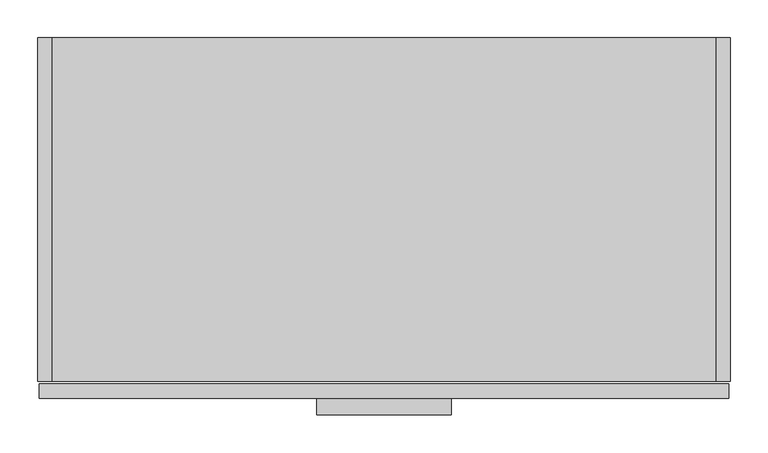
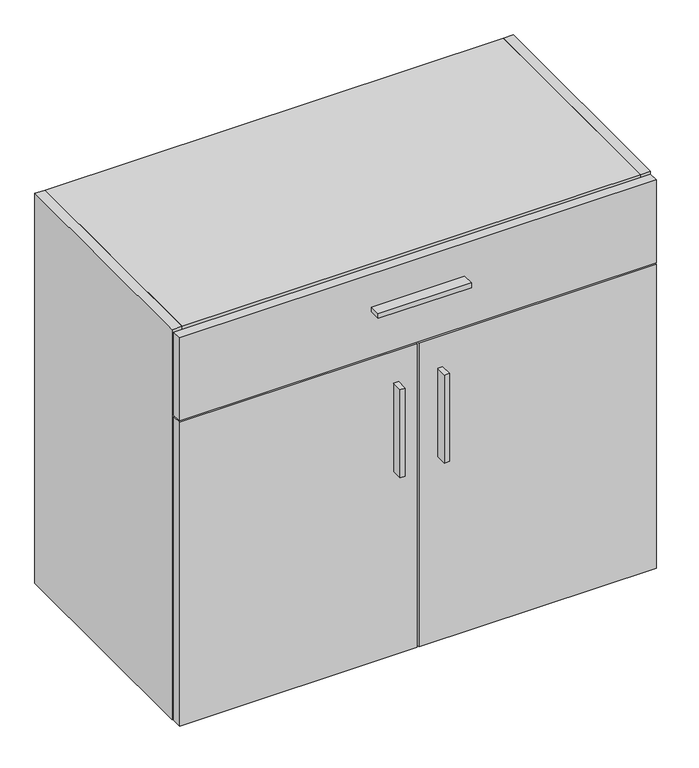
"""IFC4 building model written with IfcOpenShell, lengths in millimetres: furniture geometry."""

import ifcopenshell
import ifcopenshell.guid

model = None  # the IFC model being written
_history = None  # IfcOwnerHistory: only IFC2X3 demands one
_inside = {}  # id of a spatial element -> (the spatial element, [elements in it])
_under = {}  # id of a project, library or spatial element -> (it, [spatial elements below it])
_declared = {}  # id of a project -> (the project, [libraries it declares])
_typed = {}  # id of a type object -> (the type object, [elements of that type])
_made_of = {}  # id of a material, layer set ... -> (it, [elements and type objects made of it])


def new_model(schema):
    """Start an empty IFC model of exactly this schema.

    Asked for "IFC4X3", IfcOpenShell would pick the latest addendum, in which some entities
    have other attributes; the version numbers below select the first issue.
    IFC2X3 requires an IfcOwnerHistory on every rooted entity: one is made here for all.
    """
    global model, _history
    if schema == "IFC4X3":
        model = ifcopenshell.file(schema_version=(4, 3, 0, 0))
    else:
        model = ifcopenshell.file(schema=schema)
    _inside.clear()
    _under.clear()
    _declared.clear()
    _typed.clear()
    _made_of.clear()
    _history = None
    if model.schema == "IFC2X3":
        org = make("IfcOrganization", Name="unknown")
        user = make(
            "IfcPersonAndOrganization",
            ThePerson=make("IfcPerson", FamilyName="unknown"),
            TheOrganization=org,
        )
        app = make(
            "IfcApplication",
            ApplicationDeveloper=org,
            Version="unknown",
            ApplicationFullName="unknown",
            ApplicationIdentifier="unknown",
        )
        _history = make(
            "IfcOwnerHistory",
            OwningUser=user,
            OwningApplication=app,
            ChangeAction="ADDED",
            CreationDate=0,
        )
    return model


def make(cls, **values):
    """One entity of the class cls with the attributes given. An attribute that is None is left unset."""
    return model.create_entity(
        cls, **{name: value for name, value in values.items() if value is not None}
    )


def rooted(cls, **values):
    """An entity with a GlobalId (a new one), such as an element, a storey or a relation."""
    return make(cls, GlobalId=ifcopenshell.guid.new(), OwnerHistory=_history, **values)


def si_unit(unit_type, name, prefix=None):
    """IfcSIUnit, for example si_unit("LENGTHUNIT", "METRE", prefix="MILLI")."""
    return make("IfcSIUnit", UnitType=unit_type, Prefix=prefix, Name=name)


def assignment(units):
    """IfcUnitAssignment: the units of a project."""
    return None if units is None else make("IfcUnitAssignment", Units=units)


def point(xyz):
    """IfcCartesianPoint."""
    return None if xyz is None else make("IfcCartesianPoint", Coordinates=xyz)


def direction(xyz):
    """IfcDirection."""
    return None if xyz is None else make("IfcDirection", DirectionRatios=xyz)


def frame(location, z_axis=None, x_axis=None):
    """IfcAxis2Placement3D, a coordinate frame: its origin and axes. An axis left out is left unset."""
    return make(
        "IfcAxis2Placement3D",
        Location=point(location),
        Axis=direction(z_axis),
        RefDirection=direction(x_axis),
    )


def origin():
    """The frame at (0, 0, 0) with its axes left unset."""
    return frame((0.0, 0.0, 0.0))


def place(relative_to, where):
    """IfcLocalPlacement: puts the frame where relative to a parent placement (None: the world)."""
    return make(
        "IfcLocalPlacement", PlacementRelTo=relative_to, RelativePlacement=where
    )


def context(
    kind, dimensions, precision=None, world=None, true_north=None, identifier=None
):
    """IfcGeometricRepresentationContext, for example the 3D "Model" context."""
    return make(
        "IfcGeometricRepresentationContext",
        ContextIdentifier=identifier,
        ContextType=kind,
        CoordinateSpaceDimension=dimensions,
        Precision=precision,
        WorldCoordinateSystem=world,
        TrueNorth=true_north,
    )


def project(units=None, contexts=None):
    """IfcProject with its units and contexts."""
    return rooted(
        "IfcProject",
        Name="project",
        RepresentationContexts=contexts,
        UnitsInContext=assignment(units),
    )


def spatial(cls, under=None, at=None, **own):
    """A site, building, storey or space (cls), placed at a placement, below another one or the project."""
    s = rooted(cls, ObjectPlacement=at, **own)
    if under is not None:
        _under.setdefault(under.id(), (under, []))[1].append(s)
    return s


def polyline(points):
    """IfcPolyline through the points."""
    return make("IfcPolyline", Points=[point(p) for p in points])


def outline(outer, holes=None, kind="AREA"):
    """IfcArbitraryClosedProfileDef: a profile drawn as a closed curve; with holes, ...WithVoids."""
    if holes is None:
        return make("IfcArbitraryClosedProfileDef", ProfileType=kind, OuterCurve=outer)
    return make(
        "IfcArbitraryProfileDefWithVoids",
        ProfileType=kind,
        OuterCurve=outer,
        InnerCurves=holes,
    )


def extrude(swept, where, along, depth):
    """IfcExtrudedAreaSolid: the profile swept, set in the frame where, extruded along a direction by depth."""
    return make(
        "IfcExtrudedAreaSolid",
        SweptArea=swept,
        Position=where,
        ExtrudedDirection=direction(along),
        Depth=depth,
    )


def shape(context_of_items, identifier, shape_type, items):
    """IfcShapeRepresentation: the items that make up one representation, for example the "Body"."""
    return make(
        "IfcShapeRepresentation",
        ContextOfItems=context_of_items,
        RepresentationIdentifier=identifier,
        RepresentationType=shape_type,
        Items=items,
    )


def source(mapping_origin, context_of_items, identifier, shape_type, items):
    """IfcRepresentationMap: a shape defined once, which mapped items show again and again."""
    return make(
        "IfcRepresentationMap",
        MappingOrigin=mapping_origin,
        MappedRepresentation=shape(context_of_items, identifier, shape_type, items),
    )


def transform(
    local_origin,
    x_axis=None,
    y_axis=None,
    z_axis=None,
    scale=None,
    scale2=None,
    scale3=None,
    uniform=True,
):
    """IfcCartesianTransformationOperator3D, or its non-uniform kind. x_axis, y_axis, z_axis: its Axis1, 2, 3."""
    if uniform:
        return make(
            "IfcCartesianTransformationOperator3D",
            Axis1=direction(x_axis),
            Axis2=direction(y_axis),
            LocalOrigin=point(local_origin),
            Scale=scale,
            Axis3=direction(z_axis),
        )
    return make(
        "IfcCartesianTransformationOperator3DnonUniform",
        Axis1=direction(x_axis),
        Axis2=direction(y_axis),
        LocalOrigin=point(local_origin),
        Scale=scale,
        Axis3=direction(z_axis),
        Scale2=scale2,
        Scale3=scale3,
    )


def mapped(mapping_source, mapping_target):
    """IfcMappedItem: shows the shape of a source again, moved by a transform."""
    return make(
        "IfcMappedItem", MappingSource=mapping_source, MappingTarget=mapping_target
    )


def made_of(thing, what):
    """Note that an element or type object is made of a material, layer set ...; save() writes the relation."""
    if what is not None:
        _made_of.setdefault(what.id(), (what, []))[1].append(thing)
    return thing


def element(
    cls,
    number,
    at=None,
    inside=None,
    cuts=None,
    type_object=None,
    material=None,
    context=None,
    identifier="Body",
    shape_type=None,
    held_by="IfcProductDefinitionShape",
    body=None,
    shapes=None,
    **own,
):
    """One element of the class cls, such as IfcWall. Its Tag is "e" and its number.

    at: its placement. inside: the storey or other place that contains it. cuts: it is an
    opening in that element (IfcRelVoidsElement). A single representation is given by context,
    identifier, shape_type and body (its items); several are given by shapes. held_by: the class
    of the entity that holds the representations. save() writes the other relations.
    """
    e = rooted(cls, Tag="e%d" % number, ObjectPlacement=at, **own)
    if body is not None:
        shapes = [shape(context, identifier, shape_type, body)]
    if shapes is not None:
        e.Representation = make(held_by, Representations=shapes)
    if inside is not None:
        _inside.setdefault(inside.id(), (inside, []))[1].append(e)
    if cuts is not None:
        rooted(
            "IfcRelVoidsElement", RelatingBuildingElement=cuts, RelatedOpeningElement=e
        )
    if type_object is not None:
        _typed.setdefault(type_object.id(), (type_object, []))[1].append(e)
    return made_of(e, material)


def aggregate(whole, parts):
    """IfcRelAggregates: a whole, such as a stair, and the parts it consists of."""
    return rooted("IfcRelAggregates", RelatingObject=whole, RelatedObjects=parts)


def save(model, path):
    """Write the relations noted so far, then the file.

    IfcRelAggregates (storeys below a building ...), IfcRelContainedInSpatialStructure (elements
    in a storey), IfcRelDefinesByType, IfcRelAssociatesMaterial and IfcRelDeclares: one each for
    every whole, place, type object, material and project.
    """
    for whole, parts in _under.values():
        aggregate(whole, parts)
    for where, things in _inside.values():
        rooted(
            "IfcRelContainedInSpatialStructure",
            RelatedElements=things,
            RelatingStructure=where,
        )
    for kind, things in _typed.values():
        rooted("IfcRelDefinesByType", RelatedObjects=things, RelatingType=kind)
    for what, things in _made_of.values():
        rooted("IfcRelAssociatesMaterial", RelatedObjects=things, RelatingMaterial=what)
    for by, libraries in _declared.values():
        rooted("IfcRelDeclares", RelatingContext=by, RelatedDefinitions=libraries)
    model.write(path)


def furniture_6daf32d6(model_context):
    return source(origin(), model_context, "Body", "SweptSolid", [
        extrude(outline(polyline([(455.6125, -476.504), (1.5875, -476.504), (1.5875, -457.2), (455.6125, -457.2), (455.6125, -476.504)])), frame((0.0, 0.0, 101.6), z_axis=(0.0, 0.0, 1.0), x_axis=(1.0, 0.0, 0.0)), (0.0, 0.0, 1.0), 613.3592),
        extrude(outline(polyline([(504.1888631, -498.729), (494.6638631, -498.729), (494.6638631, -476.504), (504.1888631, -476.504), (504.1888631, -498.729)])), frame((0.0, 0.0, 473.6592), z_axis=(0.0, 0.0, 1.0), x_axis=(1.0, 0.0, 0.0)), (0.0, 0.0, 1.0), 177.8),
        extrude(outline(polyline([(419.7338631, -498.729), (410.2088631, -498.729), (410.2088631, -476.504), (419.7338631, -476.504), (419.7338631, -498.729)])), frame((0.0, 0.0, 473.6592), z_axis=(0.0, 0.0, 1.0), x_axis=(1.0, 0.0, 0.0)), (0.0, 0.0, 1.0), 177.8),
        extrude(outline(polyline([(912.8125, -476.504), (458.7875, -476.504), (458.7875, -457.2), (912.8125, -457.2), (912.8125, -476.504)])), frame((0.0, 0.0, 101.6), z_axis=(0.0, 0.0, 1.0), x_axis=(1.0, 0.0, 0.0)), (0.0, 0.0, 1.0), 613.3592),
        extrude(outline(polyline([(546.1, -498.729), (368.3, -498.729), (368.3, -476.504), (546.1, -476.504), (546.1, -498.729)])), frame((0.0, 0.0, 809.9425), z_axis=(0.0, 0.0, 1.0), x_axis=(1.0, 0.0, 0.0)), (0.0, 0.0, 1.0), 9.525),
        extrude(outline(polyline([(895.096, 0.0), (895.096, -19.304), (19.304, -19.304), (19.304, 0.0), (895.096, 0.0)])), frame((0.0, 0.0, 101.6), z_axis=(0.0, 0.0, 1.0), x_axis=(1.0, 0.0, 0.0)), (0.0, 0.0, 1.0), 768.096),
        extrude(outline(polyline([(895.096, -454.025), (19.304, -454.025), (19.304, -19.304), (895.096, -19.304), (895.096, -454.025)])), frame((0.0, 0.0, 101.6), z_axis=(0.0, 0.0, 1.0), x_axis=(1.0, 0.0, 0.0)), (0.0, 0.0, 1.0), 19.304),
        extrude(outline(polyline([(895.096, -454.025), (19.304, -454.025), (19.304, 0.0), (895.096, 0.0), (895.096, -454.025)])), frame((0.0, 0.0, 869.696), z_axis=(0.0, 0.0, 1.0), x_axis=(1.0, 0.0, 0.0)), (0.0, 0.0, 1.0), 19.304),
        extrude(outline(polyline([(19.304, 0.0), (19.304, -454.025), (0.0, -454.025), (0.0, 0.0), (19.304, 0.0)])), frame((0.0, 0.0, 101.6), z_axis=(0.0, 0.0, 1.0), x_axis=(1.0, 0.0, 0.0)), (0.0, 0.0, 1.0), 787.4),
        extrude(outline(polyline([(895.096, 0.0), (914.4, 0.0), (914.4, -454.025), (895.096, -454.025), (895.096, 0.0)])), frame((0.0, 0.0, 101.6), z_axis=(0.0, 0.0, 1.0), x_axis=(1.0, 0.0, 0.0)), (0.0, 0.0, 1.0), 787.4),
        extrude(outline(polyline([(912.8125, -476.504), (1.5875, -476.504), (1.5875, -457.2), (912.8125, -457.2), (912.8125, -476.504)])), frame((0.0, 0.0, 718.1342), z_axis=(0.0, 0.0, 1.0), x_axis=(1.0, 0.0, 0.0)), (0.0, 0.0, 1.0), 167.6908),
    ])


if __name__ == "__main__":
    model = new_model("IFC4")
    model_context = context("Model", 3, world=origin())
    ifc_project = project(units=[si_unit("LENGTHUNIT", "METRE", prefix="MILLI")], contexts=[model_context])
    site = spatial("IfcSite", under=ifc_project)
    building = spatial("IfcBuilding", under=site)
    placement = place(None, origin())
    furniture_shape = furniture_6daf32d6(model_context)
    element("IfcFurniture", 1, at=placement, inside=building, context=model_context, shape_type="MappedRepresentation", body=[
        mapped(furniture_shape, transform((0.0, 0.0, 0.0), x_axis=(1.0, 0.0, 0.0), y_axis=(0.0, 1.0, 0.0), z_axis=(0.0, 0.0, 1.0))),
    ])
    save(model, "model.ifc")
